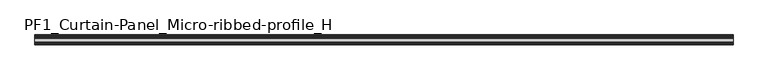
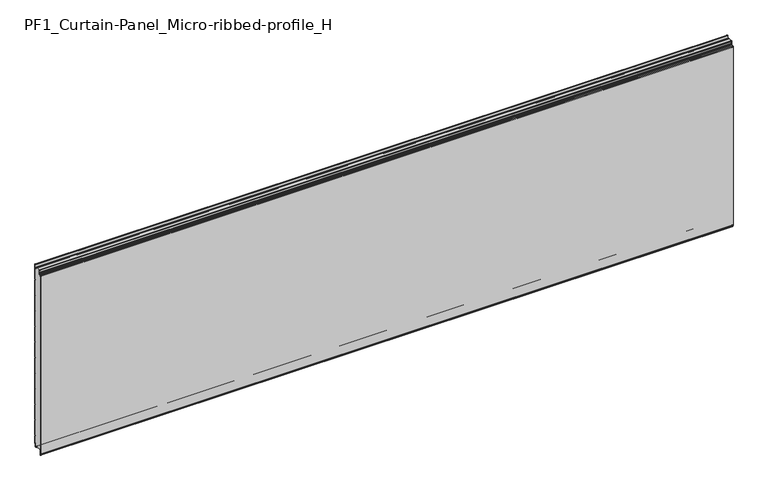
"""IFC4 building model written with IfcOpenShell, lengths in millimetres: plate geometry, PF1_Curtain-Panel_Micro-ribbed-profile_H."""

from ifc_helpers import new_model, si_unit, point, frame, frame_2d, origin, place, context, project, spatial, polyline, circle_curve, trimmed, segment, composite_curve, outline, extrude, source, transform, mapped, element, save


def pf1_curtain_panel_micro_ribbed_profile_h_61dc5dc2(model_context):
    return source(origin(), model_context, "Body", "SweptSolid", [
        extrude(outline(composite_curve([segment(polyline([(-50.0, 0.0), (-53.5, 0.0)]), True, "CONTINUOUS"), segment(trimmed(circle_curve(frame_2d((-53.5, -2.0)), 2.0), [point((-53.5, 0.0))], [point((-55.5, -2.0))], True, "CARTESIAN"), True, "CONTINUOUS"), segment(polyline([(-55.5, -2.0), (-55.5, -33.0)]), True, "CONTINUOUS"), segment(trimmed(circle_curve(frame_2d((-56.5, -33.0)), 1.0), [point((-55.5, -33.0))], [point((-57.5, -33.0))], False, "CARTESIAN"), True, "CONTINUOUS"), segment(polyline([(-57.5, -33.0), (-57.5, -26.9)]), True, "CONTINUOUS"), segment(trimmed(circle_curve(frame_2d((-58.4, -26.9)), 0.9), [point((-57.5, -26.9))], [point((-58.4, -26.0))], True, "CARTESIAN"), True, "CONTINUOUS"), segment(trimmed(circle_curve(frame_2d((-58.4, -24.4)), 1.6), [point((-58.4, -26.0))], [point((-60.0, -24.4))], False, "CARTESIAN"), True, "CONTINUOUS"), segment(polyline([(-60.0, -24.4), (-60.0, 1123.168846)]), True, "CONTINUOUS"), segment(trimmed(circle_curve(frame_2d((-59.0, 1123.168846)), 1.0), [point((-60.0, 1123.168846))], [point((-58.0, 1123.168846))], False, "CARTESIAN"), True, "CONTINUOUS"), segment(polyline([(-58.0, 1123.168846), (-58.0, 1117.168846)]), True, "CONTINUOUS"), segment(trimmed(circle_curve(frame_2d((-56.5, 1117.168846)), 1.5), [point((-58.0, 1117.168846))], [point((-55.0, 1117.168846))], True, "CARTESIAN"), True, "CONTINUOUS"), segment(polyline([(-55.0, 1117.168846), (-55.0, 1117.9964664)]), True, "CONTINUOUS"), segment(trimmed(circle_curve(frame_2d((-48.8276204, 1117.9964664)), 6.1723796), [point((-55.0, 1117.9964664))], [point((-48.8276204, 1124.168846))], False, "CARTESIAN"), True, "CONTINUOUS"), segment(polyline([(-48.8276204, 1124.168846), (-48.0, 1124.168846)]), True, "CONTINUOUS"), segment(trimmed(circle_curve(frame_2d((-48.0, 1125.168846)), 1.0), [point((-48.0, 1124.168846))], [point((-47.0, 1125.168846))], True, "CARTESIAN"), True, "CONTINUOUS"), segment(polyline([(-47.0, 1125.168846), (-47.0, 1131.6688472), (-45.4999999, 1133.168846), (-47.0, 1134.6688448), (-47.0, 1146.568846)]), True, "CONTINUOUS"), segment(trimmed(circle_curve(frame_2d((-44.4, 1146.568846)), 2.6), [point((-47.0, 1146.568846))], [point((-44.4, 1149.168846))], False, "CARTESIAN"), True, "CONTINUOUS"), segment(polyline([(-44.4, 1149.168846), (-43.0, 1149.168846), (-43.0, 1148.368846), (-44.4, 1148.368846)]), True, "CONTINUOUS"), segment(trimmed(circle_curve(frame_2d((-44.4, 1146.568846)), 1.8), [point((-44.4, 1148.368846))], [point((-46.2, 1146.568846))], True, "CARTESIAN"), True, "CONTINUOUS"), segment(polyline([(-46.2, 1146.568846), (-46.2, 1135.0002158), (-44.3686285, 1133.168846), (-46.2, 1131.3374762), (-46.2, 1125.168846)]), True, "CONTINUOUS"), segment(trimmed(circle_curve(frame_2d((-48.0, 1125.168846)), 1.8), [point((-46.2, 1125.168846))], [point((-48.0, 1123.368846))], False, "CARTESIAN"), True, "CONTINUOUS"), segment(polyline([(-48.0, 1123.368846), (-48.8276204, 1123.368846)]), True, "CONTINUOUS"), segment(trimmed(circle_curve(frame_2d((-48.8276204, 1117.9964664)), 5.3723796), [point((-48.8276204, 1123.368846))], [point((-54.2, 1117.9964664))], True, "CARTESIAN"), True, "CONTINUOUS"), segment(polyline([(-54.2, 1117.9964664), (-54.2, 1117.168846)]), True, "CONTINUOUS"), segment(trimmed(circle_curve(frame_2d((-56.4, 1117.168846)), 2.2), [point((-54.2, 1117.168846))], [point((-58.6, 1117.168846))], False, "CARTESIAN"), True, "CONTINUOUS"), segment(polyline([(-58.6, 1117.168846), (-58.6, 1123.0579973)]), True, "CONTINUOUS"), segment(trimmed(circle_curve(frame_2d((-58.9, 1123.0579973)), 0.3), [point((-58.6, 1123.0579973))], [point((-59.2, 1123.0579973))], True, "CARTESIAN"), True, "CONTINUOUS"), segment(polyline([(-59.2, 1123.0579973), (-59.2, -24.4)]), True, "CONTINUOUS"), segment(trimmed(circle_curve(frame_2d((-58.4, -24.4)), 0.8), [point((-59.2, -24.4))], [point((-58.4, -25.2))], True, "CARTESIAN"), True, "CONTINUOUS"), segment(trimmed(circle_curve(frame_2d((-58.6133333, -26.9)), 1.7133333), [point((-58.4, -25.2))], [point((-56.9, -26.9))], False, "CARTESIAN"), True, "CONTINUOUS"), segment(polyline([(-56.9, -26.9), (-56.9, -32.8700312)]), True, "CONTINUOUS"), segment(trimmed(circle_curve(frame_2d((-56.6, -32.8700312)), 0.3), [point((-56.9, -32.8700312))], [point((-56.3, -32.8700312))], True, "CARTESIAN"), True, "CONTINUOUS"), segment(polyline([(-56.3, -32.8700312), (-56.3, -2.0)]), True, "CONTINUOUS"), segment(trimmed(circle_curve(frame_2d((-53.5, -2.0)), 2.8), [point((-56.3, -2.0))], [point((-53.5, 0.8))], False, "CARTESIAN"), True, "CONTINUOUS"), segment(polyline([(-53.5, 0.8), (-50.0, 0.8), (-50.0, 0.0)]), True, "CONTINUOUS")], self_intersect=False)), frame((-2100.0, 0.0, 0.0), z_axis=(1.0, 0.0, 0.0), x_axis=(0.0, 1.0, 0.0)), (0.0, 0.0, 1.0), 4200.0),
        extrude(outline(composite_curve([segment(polyline([(-15.878557, 0.0), (-20.0, 0.0), (-20.0, 0.8), (-15.878557, 0.8)]), True, "CONTINUOUS"), segment(trimmed(circle_curve(frame_2d((-15.878557, -2.0)), 2.8), [point((-15.878557, 0.8))], [point((-13.1503208, -1.370137))], False, "CARTESIAN"), True, "CONTINUOUS"), segment(polyline([(-13.1503208, -1.370137), (-11.728236, -7.529863)]), True, "CONTINUOUS"), segment(trimmed(circle_curve(frame_2d((-9.0, -6.9)), 2.8), [point((-11.728236, -7.529863))], [point((-6.2, -6.9))], True, "CARTESIAN"), True, "CONTINUOUS"), segment(polyline([(-6.2, -6.9), (-6.2, 8.6)]), True, "CONTINUOUS"), segment(trimmed(circle_curve(frame_2d((-3.4, 8.6)), 2.8), [point((-6.2, 8.6))], [point((-3.4, 11.4))], False, "CARTESIAN"), True, "CONTINUOUS"), segment(polyline([(-3.4, 11.4), (-2.0, 11.4)]), True, "CONTINUOUS"), segment(trimmed(circle_curve(frame_2d((-2.0, 12.6)), 1.2), [point((-2.0, 11.4))], [point((-0.8, 12.6))], True, "CARTESIAN"), True, "CONTINUOUS"), segment(polyline([(-0.8, 12.6), (-0.8, 57.6856412), (-2.482606, 60.6), (-0.8, 63.5143588), (-0.8, 157.6856412), (-2.482606, 160.6), (-0.8, 163.5143588), (-0.8, 257.6856412), (-2.482606, 260.6), (-0.8, 263.5143588), (-0.8, 357.6856412), (-2.482606, 360.6), (-0.8, 363.5143588), (-0.8, 457.6856412), (-2.482606, 460.6), (-0.8, 463.5143588), (-0.8, 557.6856412), (-2.482606, 560.6), (-0.8, 563.5143588), (-0.8, 657.6856412), (-2.482606, 660.6), (-0.8, 663.5143588), (-0.8, 757.6856412), (-2.482606, 760.6), (-0.8, 763.5143588), (-0.8, 857.6856412), (-2.482606, 860.6), (-0.8, 863.5143588), (-0.8, 957.6856412), (-2.482606, 960.6), (-0.8, 963.5143588), (-0.8, 1057.6856412), (-2.482606, 1060.6), (-0.8, 1063.5143588), (-0.8, 1158.268846)]), True, "CONTINUOUS"), segment(trimmed(circle_curve(frame_2d((-2.5, 1158.268846)), 1.7), [point((-0.8, 1158.268846))], [point((-4.2, 1158.268846))], True, "CARTESIAN"), True, "CONTINUOUS"), segment(polyline([(-4.2, 1158.268846), (-4.2, 1141.268846)]), True, "CONTINUOUS"), segment(trimmed(circle_curve(frame_2d((-9.0, 1141.268846)), 4.8), [point((-4.2, 1141.268846))], [point((-13.7270771, 1140.4353344))], False, "CARTESIAN"), True, "CONTINUOUS"), segment(polyline([(-13.7270771, 1140.4353344), (-14.8636953, 1146.8814129)]), True, "CONTINUOUS"), segment(trimmed(circle_curve(frame_2d((-16.6363492, 1146.568846)), 1.8), [point((-14.8636953, 1146.8814129))], [point((-16.6363492, 1148.368846))], True, "CARTESIAN"), True, "CONTINUOUS"), segment(polyline([(-16.6363492, 1148.368846), (-20.0, 1148.368846), (-20.0, 1149.168846), (-16.6363492, 1149.168846)]), True, "CONTINUOUS"), segment(trimmed(circle_curve(frame_2d((-16.6363492, 1146.568846)), 2.6), [point((-16.6363492, 1149.168846))], [point((-14.0758491, 1147.0203315))], False, "CARTESIAN"), True, "CONTINUOUS"), segment(polyline([(-14.0758491, 1147.0203315), (-12.939231, 1140.574253)]), True, "CONTINUOUS"), segment(trimmed(circle_curve(frame_2d((-9.0, 1141.268846)), 4.0), [point((-12.939231, 1140.574253))], [point((-5.0, 1141.268846))], True, "CARTESIAN"), True, "CONTINUOUS"), segment(polyline([(-5.0, 1141.268846), (-5.0, 1158.268846)]), True, "CONTINUOUS"), segment(trimmed(circle_curve(frame_2d((-2.5, 1158.268846)), 2.5), [point((-5.0, 1158.268846))], [point((0.0, 1158.268846))], False, "CARTESIAN"), True, "CONTINUOUS"), segment(polyline([(0.0, 1158.268846), (0.0, 1063.2999995), (-1.5588455, 1060.6), (0.0, 1057.9000005), (0.0, 963.2999995), (-1.5588455, 960.6), (0.0, 957.9000005), (0.0, 863.2999995), (-1.5588455, 860.6), (0.0, 857.9000005), (0.0, 763.2999995), (-1.5588455, 760.6), (0.0, 757.9000005), (0.0, 663.2999995), (-1.5588455, 660.6), (0.0, 657.9000005), (0.0, 563.2999995), (-1.5588455, 560.6), (0.0, 557.9000005), (0.0, 463.2999995), (-1.5588455, 460.6), (0.0, 457.9000005), (0.0, 363.2999995), (-1.5588455, 360.6), (0.0, 357.9000005), (0.0, 263.2999995), (-1.5588455, 260.6), (0.0, 257.9000005), (0.0, 163.2999995), (-1.5588455, 160.6), (0.0, 157.9000005), (0.0, 63.2999995), (-1.5588455, 60.6), (0.0, 57.9000005), (0.0, 12.6)]), True, "CONTINUOUS"), segment(trimmed(circle_curve(frame_2d((-2.0, 12.6)), 2.0), [point((0.0, 12.6))], [point((-2.0, 10.6))], False, "CARTESIAN"), True, "CONTINUOUS"), segment(polyline([(-2.0, 10.6), (-3.4, 10.6)]), True, "CONTINUOUS"), segment(trimmed(circle_curve(frame_2d((-3.4, 8.6)), 2.0), [point((-3.4, 10.6))], [point((-5.4, 8.6))], True, "CARTESIAN"), True, "CONTINUOUS"), segment(polyline([(-5.4, 8.6), (-5.4, -6.9)]), True, "CONTINUOUS"), segment(trimmed(circle_curve(frame_2d((-9.0, -6.9)), 3.6), [point((-5.4, -6.9))], [point((-12.5077322, -7.7098239))], False, "CARTESIAN"), True, "CONTINUOUS"), segment(polyline([(-12.5077322, -7.7098239), (-13.929817, -1.5500979)]), True, "CONTINUOUS"), segment(trimmed(circle_curve(frame_2d((-15.878557, -2.0)), 2.0), [point((-13.929817, -1.5500979))], [point((-15.878557, 0.0))], True, "CARTESIAN"), True, "CONTINUOUS")], self_intersect=False)), frame((-2100.0, 0.0, 0.0), z_axis=(1.0, 0.0, 0.0), x_axis=(0.0, 1.0, 0.0)), (0.0, 0.0, 1.0), 4200.0),
        extrude(outline(composite_curve([segment(polyline([(-50.0, 0.8), (-53.5, 0.8)]), True, "CONTINUOUS"), segment(trimmed(circle_curve(frame_2d((-53.5, -2.0)), 2.8), [point((-53.5, 0.8))], [point((-56.3, -2.0))], True, "CARTESIAN"), True, "CONTINUOUS"), segment(polyline([(-56.3, -2.0), (-56.3, -32.8700312)]), True, "CONTINUOUS"), segment(trimmed(circle_curve(frame_2d((-56.6, -32.8700312)), 0.3), [point((-56.3, -32.8700312))], [point((-56.9, -32.8700312))], False, "CARTESIAN"), True, "CONTINUOUS"), segment(polyline([(-56.9, -32.8700312), (-56.9, -26.9)]), True, "CONTINUOUS"), segment(trimmed(circle_curve(frame_2d((-58.6133333, -26.9)), 1.7133333), [point((-56.9, -26.9))], [point((-58.4, -25.2))], True, "CARTESIAN"), True, "CONTINUOUS"), segment(trimmed(circle_curve(frame_2d((-58.4, -24.4)), 0.8), [point((-58.4, -25.2))], [point((-59.2, -24.4))], False, "CARTESIAN"), True, "CONTINUOUS"), segment(polyline([(-59.2, -24.4), (-59.2, 1123.0579973)]), True, "CONTINUOUS"), segment(trimmed(circle_curve(frame_2d((-58.9, 1123.0579973)), 0.3), [point((-59.2, 1123.0579973))], [point((-58.6, 1123.0579973))], False, "CARTESIAN"), True, "CONTINUOUS"), segment(polyline([(-58.6, 1123.0579973), (-58.6, 1117.168846)]), True, "CONTINUOUS"), segment(trimmed(circle_curve(frame_2d((-56.4, 1117.168846)), 2.2), [point((-58.6, 1117.168846))], [point((-54.2, 1117.168846))], True, "CARTESIAN"), True, "CONTINUOUS"), segment(polyline([(-54.2, 1117.168846), (-54.2, 1117.9964664)]), True, "CONTINUOUS"), segment(trimmed(circle_curve(frame_2d((-48.8276204, 1117.9964664)), 5.3723796), [point((-54.2, 1117.9964664))], [point((-48.8276204, 1123.368846))], False, "CARTESIAN"), True, "CONTINUOUS"), segment(polyline([(-48.8276204, 1123.368846), (-48.0, 1123.368846)]), True, "CONTINUOUS"), segment(trimmed(circle_curve(frame_2d((-48.0, 1125.168846)), 1.8), [point((-48.0, 1123.368846))], [point((-46.2, 1125.168846))], True, "CARTESIAN"), True, "CONTINUOUS"), segment(polyline([(-46.2, 1125.168846), (-46.2, 1131.3374762), (-44.3686285, 1133.168846), (-46.2, 1135.0002158), (-46.2, 1146.568846)]), True, "CONTINUOUS"), segment(trimmed(circle_curve(frame_2d((-44.4, 1146.568846)), 1.8), [point((-46.2, 1146.568846))], [point((-44.4, 1148.368846))], False, "CARTESIAN"), True, "CONTINUOUS"), segment(polyline([(-44.4, 1148.368846), (-43.0, 1148.368846), (-43.0, 1149.168846), (-20.0, 1149.168846), (-20.0, 1148.368846), (-16.6363492, 1148.368846)]), True, "CONTINUOUS"), segment(trimmed(circle_curve(frame_2d((-16.6363492, 1146.568846)), 1.8), [point((-16.6363492, 1148.368846))], [point((-14.8636953, 1146.8814129))], False, "CARTESIAN"), True, "CONTINUOUS"), segment(polyline([(-14.8636953, 1146.8814129), (-13.7270772, 1140.4353344)]), True, "CONTINUOUS"), segment(trimmed(circle_curve(frame_2d((-9.0, 1141.268846)), 4.8), [point((-13.7270772, 1140.4353344))], [point((-4.2, 1141.268846))], True, "CARTESIAN"), True, "CONTINUOUS"), segment(polyline([(-4.2, 1141.268846), (-4.2, 1158.268846)]), True, "CONTINUOUS"), segment(trimmed(circle_curve(frame_2d((-2.5, 1158.268846)), 1.7), [point((-4.2, 1158.268846))], [point((-0.8, 1158.268846))], False, "CARTESIAN"), True, "CONTINUOUS"), segment(polyline([(-0.8, 1158.268846), (-0.8, 1063.5143588), (-2.482606, 1060.6), (-0.8, 1057.6856412), (-0.8, 963.5143588), (-2.482606, 960.6), (-0.8, 957.6856412), (-0.8, 863.5143588), (-2.482606, 860.6), (-0.8, 857.6856412), (-0.8, 763.5143588), (-2.482606, 760.6), (-0.8, 757.6856412), (-0.8, 663.5143588), (-2.482606, 660.6), (-0.8, 657.6856412), (-0.8, 563.5143588), (-2.482606, 560.6), (-0.8, 557.6856412), (-0.8, 463.5143588), (-2.482606, 460.6), (-0.8, 457.6856412), (-0.8, 363.5143588), (-2.482606, 360.6), (-0.8, 357.6856412), (-0.8, 263.5143588), (-2.482606, 260.6), (-0.8, 257.6856412), (-0.8, 163.5143588), (-2.482606, 160.6), (-0.8, 157.6856412), (-0.8, 63.5143588), (-2.482606, 60.6), (-0.8, 57.6856412), (-0.8, 12.6)]), True, "CONTINUOUS"), segment(trimmed(circle_curve(frame_2d((-2.0, 12.6)), 1.2), [point((-0.8, 12.6))], [point((-2.0, 11.4))], False, "CARTESIAN"), True, "CONTINUOUS"), segment(polyline([(-2.0, 11.4), (-3.4, 11.4)]), True, "CONTINUOUS"), segment(trimmed(circle_curve(frame_2d((-3.4, 8.6)), 2.8), [point((-3.4, 11.4))], [point((-6.2, 8.6))], True, "CARTESIAN"), True, "CONTINUOUS"), segment(polyline([(-6.2, 8.6), (-6.2, -6.9)]), True, "CONTINUOUS"), segment(trimmed(circle_curve(frame_2d((-9.0, -6.9)), 2.8), [point((-6.2, -6.9))], [point((-11.7282362, -7.529863))], False, "CARTESIAN"), True, "CONTINUOUS"), segment(polyline([(-11.7282362, -7.529863), (-13.1503208, -1.370137)]), True, "CONTINUOUS"), segment(trimmed(circle_curve(frame_2d((-15.878557, -2.0)), 2.8), [point((-13.1503208, -1.370137))], [point((-15.878557, 0.8))], True, "CARTESIAN"), True, "CONTINUOUS"), segment(polyline([(-15.878557, 0.8), (-20.0, 0.8), (-20.0, 0.0), (-50.0, 0.0), (-50.0, 0.8)]), True, "CONTINUOUS")], self_intersect=False)), frame((-2100.0, 0.0, 0.0), z_axis=(1.0, 0.0, 0.0), x_axis=(0.0, 1.0, 0.0)), (0.0, 0.0, 1.0), 4200.0),
    ])


if __name__ == "__main__":
    model = new_model("IFC4")
    model_context = context("Model", 3, world=origin())
    ifc_project = project(units=[si_unit("LENGTHUNIT", "METRE", prefix="MILLI")], contexts=[model_context])
    site = spatial("IfcSite", under=ifc_project)
    building = spatial("IfcBuilding", under=site)
    placement = place(None, origin())
    pf1_curtain_panel_micro_ribbed_profile_h_shape = pf1_curtain_panel_micro_ribbed_profile_h_61dc5dc2(model_context)
    element("IfcPlate", 1, ObjectType="PF1_Curtain-Panel_Micro-ribbed-profile_H", at=placement, inside=building, context=model_context, shape_type="MappedRepresentation", body=[
        mapped(pf1_curtain_panel_micro_ribbed_profile_h_shape, transform((0.0, 0.0, 0.0), x_axis=(1.0, 0.0, 0.0), y_axis=(0.0, 1.0, 0.0), z_axis=(0.0, 0.0, 1.0))),
    ])
    save(model, "model.ifc")
